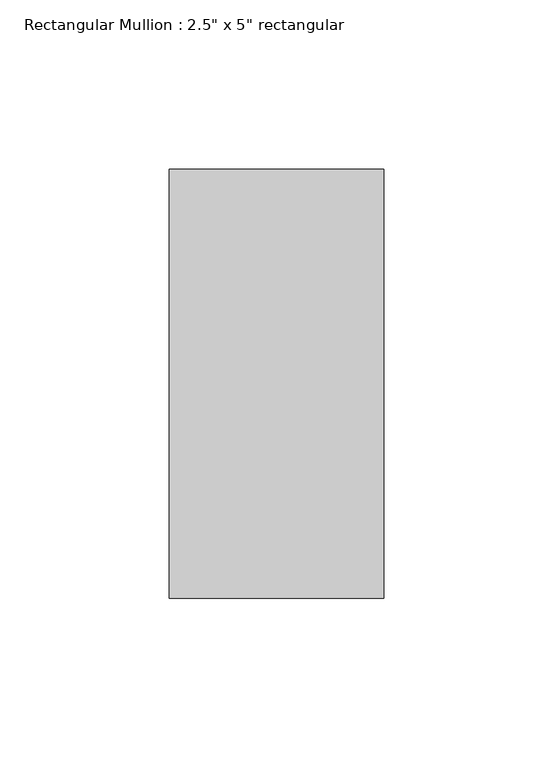
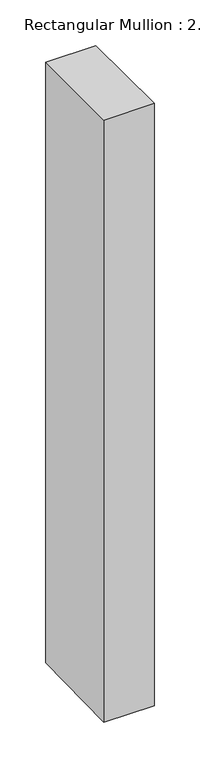
"""IFC4 building model written with IfcOpenShell, lengths in millimetres: member geometry."""

import ifcopenshell
import ifcopenshell.guid

model = None  # the IFC model being written
_history = None  # IfcOwnerHistory: only IFC2X3 demands one
_inside = {}  # id of a spatial element -> (the spatial element, [elements in it])
_under = {}  # id of a project, library or spatial element -> (it, [spatial elements below it])
_declared = {}  # id of a project -> (the project, [libraries it declares])
_typed = {}  # id of a type object -> (the type object, [elements of that type])
_made_of = {}  # id of a material, layer set ... -> (it, [elements and type objects made of it])


def new_model(schema):
    """Start an empty IFC model of exactly this schema.

    Asked for "IFC4X3", IfcOpenShell would pick the latest addendum, in which some entities
    have other attributes; the version numbers below select the first issue.
    IFC2X3 requires an IfcOwnerHistory on every rooted entity: one is made here for all.
    """
    global model, _history
    if schema == "IFC4X3":
        model = ifcopenshell.file(schema_version=(4, 3, 0, 0))
    else:
        model = ifcopenshell.file(schema=schema)
    _inside.clear()
    _under.clear()
    _declared.clear()
    _typed.clear()
    _made_of.clear()
    _history = None
    if model.schema == "IFC2X3":
        org = make("IfcOrganization", Name="unknown")
        user = make(
            "IfcPersonAndOrganization",
            ThePerson=make("IfcPerson", FamilyName="unknown"),
            TheOrganization=org,
        )
        app = make(
            "IfcApplication",
            ApplicationDeveloper=org,
            Version="unknown",
            ApplicationFullName="unknown",
            ApplicationIdentifier="unknown",
        )
        _history = make(
            "IfcOwnerHistory",
            OwningUser=user,
            OwningApplication=app,
            ChangeAction="ADDED",
            CreationDate=0,
        )
    return model


def make(cls, **values):
    """One entity of the class cls with the attributes given. An attribute that is None is left unset."""
    return model.create_entity(
        cls, **{name: value for name, value in values.items() if value is not None}
    )


def rooted(cls, **values):
    """An entity with a GlobalId (a new one), such as an element, a storey or a relation."""
    return make(cls, GlobalId=ifcopenshell.guid.new(), OwnerHistory=_history, **values)


def si_unit(unit_type, name, prefix=None):
    """IfcSIUnit, for example si_unit("LENGTHUNIT", "METRE", prefix="MILLI")."""
    return make("IfcSIUnit", UnitType=unit_type, Prefix=prefix, Name=name)


def assignment(units):
    """IfcUnitAssignment: the units of a project."""
    return None if units is None else make("IfcUnitAssignment", Units=units)


def point(xyz):
    """IfcCartesianPoint."""
    return None if xyz is None else make("IfcCartesianPoint", Coordinates=xyz)


def direction(xyz):
    """IfcDirection."""
    return None if xyz is None else make("IfcDirection", DirectionRatios=xyz)


def frame(location, z_axis=None, x_axis=None):
    """IfcAxis2Placement3D, a coordinate frame: its origin and axes. An axis left out is left unset."""
    return make(
        "IfcAxis2Placement3D",
        Location=point(location),
        Axis=direction(z_axis),
        RefDirection=direction(x_axis),
    )


def origin():
    """The frame at (0, 0, 0) with its axes left unset."""
    return frame((0.0, 0.0, 0.0))


def place(relative_to, where):
    """IfcLocalPlacement: puts the frame where relative to a parent placement (None: the world)."""
    return make(
        "IfcLocalPlacement", PlacementRelTo=relative_to, RelativePlacement=where
    )


def context(
    kind, dimensions, precision=None, world=None, true_north=None, identifier=None
):
    """IfcGeometricRepresentationContext, for example the 3D "Model" context."""
    return make(
        "IfcGeometricRepresentationContext",
        ContextIdentifier=identifier,
        ContextType=kind,
        CoordinateSpaceDimension=dimensions,
        Precision=precision,
        WorldCoordinateSystem=world,
        TrueNorth=true_north,
    )


def project(units=None, contexts=None):
    """IfcProject with its units and contexts."""
    return rooted(
        "IfcProject",
        Name="project",
        RepresentationContexts=contexts,
        UnitsInContext=assignment(units),
    )


def spatial(cls, under=None, at=None, **own):
    """A site, building, storey or space (cls), placed at a placement, below another one or the project."""
    s = rooted(cls, ObjectPlacement=at, **own)
    if under is not None:
        _under.setdefault(under.id(), (under, []))[1].append(s)
    return s


def polyline(points):
    """IfcPolyline through the points."""
    return make("IfcPolyline", Points=[point(p) for p in points])


def outline(outer, holes=None, kind="AREA"):
    """IfcArbitraryClosedProfileDef: a profile drawn as a closed curve; with holes, ...WithVoids."""
    if holes is None:
        return make("IfcArbitraryClosedProfileDef", ProfileType=kind, OuterCurve=outer)
    return make(
        "IfcArbitraryProfileDefWithVoids",
        ProfileType=kind,
        OuterCurve=outer,
        InnerCurves=holes,
    )


def extrude(swept, where, along, depth):
    """IfcExtrudedAreaSolid: the profile swept, set in the frame where, extruded along a direction by depth."""
    return make(
        "IfcExtrudedAreaSolid",
        SweptArea=swept,
        Position=where,
        ExtrudedDirection=direction(along),
        Depth=depth,
    )


def shape(context_of_items, identifier, shape_type, items):
    """IfcShapeRepresentation: the items that make up one representation, for example the "Body"."""
    return make(
        "IfcShapeRepresentation",
        ContextOfItems=context_of_items,
        RepresentationIdentifier=identifier,
        RepresentationType=shape_type,
        Items=items,
    )


def source(mapping_origin, context_of_items, identifier, shape_type, items):
    """IfcRepresentationMap: a shape defined once, which mapped items show again and again."""
    return make(
        "IfcRepresentationMap",
        MappingOrigin=mapping_origin,
        MappedRepresentation=shape(context_of_items, identifier, shape_type, items),
    )


def transform(
    local_origin,
    x_axis=None,
    y_axis=None,
    z_axis=None,
    scale=None,
    scale2=None,
    scale3=None,
    uniform=True,
):
    """IfcCartesianTransformationOperator3D, or its non-uniform kind. x_axis, y_axis, z_axis: its Axis1, 2, 3."""
    if uniform:
        return make(
            "IfcCartesianTransformationOperator3D",
            Axis1=direction(x_axis),
            Axis2=direction(y_axis),
            LocalOrigin=point(local_origin),
            Scale=scale,
            Axis3=direction(z_axis),
        )
    return make(
        "IfcCartesianTransformationOperator3DnonUniform",
        Axis1=direction(x_axis),
        Axis2=direction(y_axis),
        LocalOrigin=point(local_origin),
        Scale=scale,
        Axis3=direction(z_axis),
        Scale2=scale2,
        Scale3=scale3,
    )


def mapped(mapping_source, mapping_target):
    """IfcMappedItem: shows the shape of a source again, moved by a transform."""
    return make(
        "IfcMappedItem", MappingSource=mapping_source, MappingTarget=mapping_target
    )


def made_of(thing, what):
    """Note that an element or type object is made of a material, layer set ...; save() writes the relation."""
    if what is not None:
        _made_of.setdefault(what.id(), (what, []))[1].append(thing)
    return thing


def element(
    cls,
    number,
    at=None,
    inside=None,
    cuts=None,
    type_object=None,
    material=None,
    context=None,
    identifier="Body",
    shape_type=None,
    held_by="IfcProductDefinitionShape",
    body=None,
    shapes=None,
    **own,
):
    """One element of the class cls, such as IfcWall. Its Tag is "e" and its number.

    at: its placement. inside: the storey or other place that contains it. cuts: it is an
    opening in that element (IfcRelVoidsElement). A single representation is given by context,
    identifier, shape_type and body (its items); several are given by shapes. held_by: the class
    of the entity that holds the representations. save() writes the other relations.
    """
    e = rooted(cls, Tag="e%d" % number, ObjectPlacement=at, **own)
    if body is not None:
        shapes = [shape(context, identifier, shape_type, body)]
    if shapes is not None:
        e.Representation = make(held_by, Representations=shapes)
    if inside is not None:
        _inside.setdefault(inside.id(), (inside, []))[1].append(e)
    if cuts is not None:
        rooted(
            "IfcRelVoidsElement", RelatingBuildingElement=cuts, RelatedOpeningElement=e
        )
    if type_object is not None:
        _typed.setdefault(type_object.id(), (type_object, []))[1].append(e)
    return made_of(e, material)


def aggregate(whole, parts):
    """IfcRelAggregates: a whole, such as a stair, and the parts it consists of."""
    return rooted("IfcRelAggregates", RelatingObject=whole, RelatedObjects=parts)


def save(model, path):
    """Write the relations noted so far, then the file.

    IfcRelAggregates (storeys below a building ...), IfcRelContainedInSpatialStructure (elements
    in a storey), IfcRelDefinesByType, IfcRelAssociatesMaterial and IfcRelDeclares: one each for
    every whole, place, type object, material and project.
    """
    for whole, parts in _under.values():
        aggregate(whole, parts)
    for where, things in _inside.values():
        rooted(
            "IfcRelContainedInSpatialStructure",
            RelatedElements=things,
            RelatingStructure=where,
        )
    for kind, things in _typed.values():
        rooted("IfcRelDefinesByType", RelatedObjects=things, RelatingType=kind)
    for what, things in _made_of.values():
        rooted("IfcRelAssociatesMaterial", RelatedObjects=things, RelatingMaterial=what)
    for by, libraries in _declared.values():
        rooted("IfcRelDeclares", RelatingContext=by, RelatedDefinitions=libraries)
    model.write(path)


def member_ff98f66c(model_context):
    return source(origin(), model_context, "Body", "SweptSolid", [
        extrude(outline(polyline([(-63.5, 0.0), (63.5, 0.0), (63.5, -801.5201116), (-63.5, -804.1728117), (-63.5, 0.0)])), frame((-31.75, 0.0, 0.0), z_axis=(1.0, 0.0, 0.0), x_axis=(0.0, 1.0, 0.0)), (0.0, 0.0, 1.0), 63.5),
    ])


if __name__ == "__main__":
    model = new_model("IFC4")
    model_context = context("Model", 3, world=origin())
    ifc_project = project(units=[si_unit("LENGTHUNIT", "METRE", prefix="MILLI")], contexts=[model_context])
    site = spatial("IfcSite", under=ifc_project)
    building = spatial("IfcBuilding", under=site)
    placement = place(None, origin())
    member_shape = member_ff98f66c(model_context)
    element("IfcMember", 1, ObjectType="Rectangular Mullion : 2.5\" x 5\" rectangular", at=placement, inside=building, context=model_context, shape_type="MappedRepresentation", body=[
        mapped(member_shape, transform((0.0, 0.0, 0.0), x_axis=(1.0, 0.0, 0.0), y_axis=(0.0, 1.0, 0.0), z_axis=(0.0, 0.0, 1.0))),
    ])
    save(model, "model.ifc")
